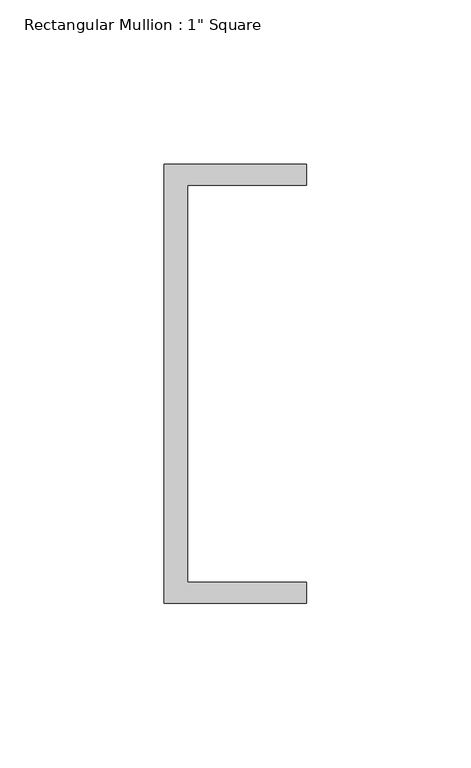
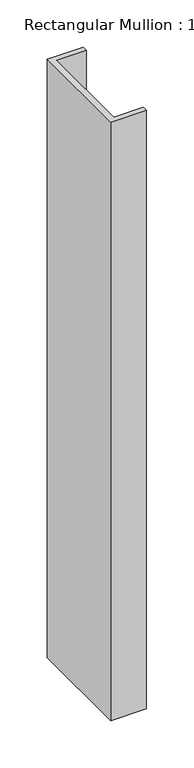
"""IFC4 building model written with IfcOpenShell, lengths in millimetres: member geometry."""

import ifcopenshell
import ifcopenshell.guid

model = None  # the IFC model being written
_history = None  # IfcOwnerHistory: only IFC2X3 demands one
_inside = {}  # id of a spatial element -> (the spatial element, [elements in it])
_under = {}  # id of a project, library or spatial element -> (it, [spatial elements below it])
_declared = {}  # id of a project -> (the project, [libraries it declares])
_typed = {}  # id of a type object -> (the type object, [elements of that type])
_made_of = {}  # id of a material, layer set ... -> (it, [elements and type objects made of it])


def new_model(schema):
    """Start an empty IFC model of exactly this schema.

    Asked for "IFC4X3", IfcOpenShell would pick the latest addendum, in which some entities
    have other attributes; the version numbers below select the first issue.
    IFC2X3 requires an IfcOwnerHistory on every rooted entity: one is made here for all.
    """
    global model, _history
    if schema == "IFC4X3":
        model = ifcopenshell.file(schema_version=(4, 3, 0, 0))
    else:
        model = ifcopenshell.file(schema=schema)
    _inside.clear()
    _under.clear()
    _declared.clear()
    _typed.clear()
    _made_of.clear()
    _history = None
    if model.schema == "IFC2X3":
        org = make("IfcOrganization", Name="unknown")
        user = make(
            "IfcPersonAndOrganization",
            ThePerson=make("IfcPerson", FamilyName="unknown"),
            TheOrganization=org,
        )
        app = make(
            "IfcApplication",
            ApplicationDeveloper=org,
            Version="unknown",
            ApplicationFullName="unknown",
            ApplicationIdentifier="unknown",
        )
        _history = make(
            "IfcOwnerHistory",
            OwningUser=user,
            OwningApplication=app,
            ChangeAction="ADDED",
            CreationDate=0,
        )
    return model


def make(cls, **values):
    """One entity of the class cls with the attributes given. An attribute that is None is left unset."""
    return model.create_entity(
        cls, **{name: value for name, value in values.items() if value is not None}
    )


def rooted(cls, **values):
    """An entity with a GlobalId (a new one), such as an element, a storey or a relation."""
    return make(cls, GlobalId=ifcopenshell.guid.new(), OwnerHistory=_history, **values)


def si_unit(unit_type, name, prefix=None):
    """IfcSIUnit, for example si_unit("LENGTHUNIT", "METRE", prefix="MILLI")."""
    return make("IfcSIUnit", UnitType=unit_type, Prefix=prefix, Name=name)


def assignment(units):
    """IfcUnitAssignment: the units of a project."""
    return None if units is None else make("IfcUnitAssignment", Units=units)


def point(xyz):
    """IfcCartesianPoint."""
    return None if xyz is None else make("IfcCartesianPoint", Coordinates=xyz)


def direction(xyz):
    """IfcDirection."""
    return None if xyz is None else make("IfcDirection", DirectionRatios=xyz)


def frame(location, z_axis=None, x_axis=None):
    """IfcAxis2Placement3D, a coordinate frame: its origin and axes. An axis left out is left unset."""
    return make(
        "IfcAxis2Placement3D",
        Location=point(location),
        Axis=direction(z_axis),
        RefDirection=direction(x_axis),
    )


def origin():
    """The frame at (0, 0, 0) with its axes left unset."""
    return frame((0.0, 0.0, 0.0))


def place(relative_to, where):
    """IfcLocalPlacement: puts the frame where relative to a parent placement (None: the world)."""
    return make(
        "IfcLocalPlacement", PlacementRelTo=relative_to, RelativePlacement=where
    )


def context(
    kind, dimensions, precision=None, world=None, true_north=None, identifier=None
):
    """IfcGeometricRepresentationContext, for example the 3D "Model" context."""
    return make(
        "IfcGeometricRepresentationContext",
        ContextIdentifier=identifier,
        ContextType=kind,
        CoordinateSpaceDimension=dimensions,
        Precision=precision,
        WorldCoordinateSystem=world,
        TrueNorth=true_north,
    )


def project(units=None, contexts=None):
    """IfcProject with its units and contexts."""
    return rooted(
        "IfcProject",
        Name="project",
        RepresentationContexts=contexts,
        UnitsInContext=assignment(units),
    )


def spatial(cls, under=None, at=None, **own):
    """A site, building, storey or space (cls), placed at a placement, below another one or the project."""
    s = rooted(cls, ObjectPlacement=at, **own)
    if under is not None:
        _under.setdefault(under.id(), (under, []))[1].append(s)
    return s


def polyline(points):
    """IfcPolyline through the points."""
    return make("IfcPolyline", Points=[point(p) for p in points])


def outline(outer, holes=None, kind="AREA"):
    """IfcArbitraryClosedProfileDef: a profile drawn as a closed curve; with holes, ...WithVoids."""
    if holes is None:
        return make("IfcArbitraryClosedProfileDef", ProfileType=kind, OuterCurve=outer)
    return make(
        "IfcArbitraryProfileDefWithVoids",
        ProfileType=kind,
        OuterCurve=outer,
        InnerCurves=holes,
    )


def extrude(swept, where, along, depth):
    """IfcExtrudedAreaSolid: the profile swept, set in the frame where, extruded along a direction by depth."""
    return make(
        "IfcExtrudedAreaSolid",
        SweptArea=swept,
        Position=where,
        ExtrudedDirection=direction(along),
        Depth=depth,
    )


def shape(context_of_items, identifier, shape_type, items):
    """IfcShapeRepresentation: the items that make up one representation, for example the "Body"."""
    return make(
        "IfcShapeRepresentation",
        ContextOfItems=context_of_items,
        RepresentationIdentifier=identifier,
        RepresentationType=shape_type,
        Items=items,
    )


def source(mapping_origin, context_of_items, identifier, shape_type, items):
    """IfcRepresentationMap: a shape defined once, which mapped items show again and again."""
    return make(
        "IfcRepresentationMap",
        MappingOrigin=mapping_origin,
        MappedRepresentation=shape(context_of_items, identifier, shape_type, items),
    )


def transform(
    local_origin,
    x_axis=None,
    y_axis=None,
    z_axis=None,
    scale=None,
    scale2=None,
    scale3=None,
    uniform=True,
):
    """IfcCartesianTransformationOperator3D, or its non-uniform kind. x_axis, y_axis, z_axis: its Axis1, 2, 3."""
    if uniform:
        return make(
            "IfcCartesianTransformationOperator3D",
            Axis1=direction(x_axis),
            Axis2=direction(y_axis),
            LocalOrigin=point(local_origin),
            Scale=scale,
            Axis3=direction(z_axis),
        )
    return make(
        "IfcCartesianTransformationOperator3DnonUniform",
        Axis1=direction(x_axis),
        Axis2=direction(y_axis),
        LocalOrigin=point(local_origin),
        Scale=scale,
        Axis3=direction(z_axis),
        Scale2=scale2,
        Scale3=scale3,
    )


def mapped(mapping_source, mapping_target):
    """IfcMappedItem: shows the shape of a source again, moved by a transform."""
    return make(
        "IfcMappedItem", MappingSource=mapping_source, MappingTarget=mapping_target
    )


def made_of(thing, what):
    """Note that an element or type object is made of a material, layer set ...; save() writes the relation."""
    if what is not None:
        _made_of.setdefault(what.id(), (what, []))[1].append(thing)
    return thing


def element(
    cls,
    number,
    at=None,
    inside=None,
    cuts=None,
    type_object=None,
    material=None,
    context=None,
    identifier="Body",
    shape_type=None,
    held_by="IfcProductDefinitionShape",
    body=None,
    shapes=None,
    **own,
):
    """One element of the class cls, such as IfcWall. Its Tag is "e" and its number.

    at: its placement. inside: the storey or other place that contains it. cuts: it is an
    opening in that element (IfcRelVoidsElement). A single representation is given by context,
    identifier, shape_type and body (its items); several are given by shapes. held_by: the class
    of the entity that holds the representations. save() writes the other relations.
    """
    e = rooted(cls, Tag="e%d" % number, ObjectPlacement=at, **own)
    if body is not None:
        shapes = [shape(context, identifier, shape_type, body)]
    if shapes is not None:
        e.Representation = make(held_by, Representations=shapes)
    if inside is not None:
        _inside.setdefault(inside.id(), (inside, []))[1].append(e)
    if cuts is not None:
        rooted(
            "IfcRelVoidsElement", RelatingBuildingElement=cuts, RelatedOpeningElement=e
        )
    if type_object is not None:
        _typed.setdefault(type_object.id(), (type_object, []))[1].append(e)
    return made_of(e, material)


def aggregate(whole, parts):
    """IfcRelAggregates: a whole, such as a stair, and the parts it consists of."""
    return rooted("IfcRelAggregates", RelatingObject=whole, RelatedObjects=parts)


def save(model, path):
    """Write the relations noted so far, then the file.

    IfcRelAggregates (storeys below a building ...), IfcRelContainedInSpatialStructure (elements
    in a storey), IfcRelDefinesByType, IfcRelAssociatesMaterial and IfcRelDeclares: one each for
    every whole, place, type object, material and project.
    """
    for whole, parts in _under.values():
        aggregate(whole, parts)
    for where, things in _inside.values():
        rooted(
            "IfcRelContainedInSpatialStructure",
            RelatedElements=things,
            RelatingStructure=where,
        )
    for kind, things in _typed.values():
        rooted("IfcRelDefinesByType", RelatedObjects=things, RelatingType=kind)
    for what, things in _made_of.values():
        rooted("IfcRelAssociatesMaterial", RelatedObjects=things, RelatingMaterial=what)
    for by, libraries in _declared.values():
        rooted("IfcRelDeclares", RelatingContext=by, RelatedDefinitions=libraries)
    model.write(path)


def member_e25ead0e(model_context):
    return source(origin(), model_context, "Body", "SweptSolid", [
        extrude(outline(polyline([(-18.6549463, 135.2608739), (24.5675083, 135.2608739), (24.5675083, 128.9108739), (-11.6110886, 128.9108739), (-11.6110886, 8.2608739), (24.5675083, 8.2608739), (24.5675083, 1.9108739), (-18.6549463, 1.9108739), (-18.6549463, 135.2608739)])), frame((0.0, 0.0, -769.430601), z_axis=(0.0, 0.0, 1.0), x_axis=(1.0, 0.0, 0.0)), (0.0, 0.0, 1.0), 769.430601),
    ])


if __name__ == "__main__":
    model = new_model("IFC4")
    model_context = context("Model", 3, world=origin())
    ifc_project = project(units=[si_unit("LENGTHUNIT", "METRE", prefix="MILLI")], contexts=[model_context])
    site = spatial("IfcSite", under=ifc_project)
    building = spatial("IfcBuilding", under=site)
    placement = place(None, origin())
    member_shape = member_e25ead0e(model_context)
    element("IfcMember", 1, ObjectType="Rectangular Mullion : 1\" Square", at=placement, inside=building, context=model_context, shape_type="MappedRepresentation", body=[
        mapped(member_shape, transform((0.0, 0.0, 0.0), x_axis=(1.0, 0.0, 0.0), y_axis=(0.0, 1.0, 0.0), z_axis=(0.0, 0.0, 1.0))),
    ])
    save(model, "model.ifc")
